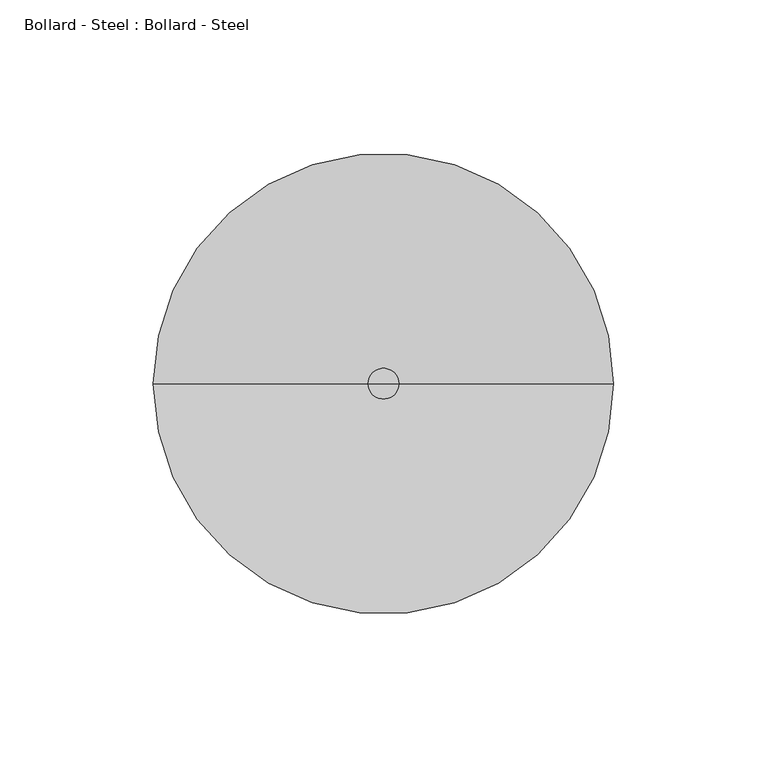
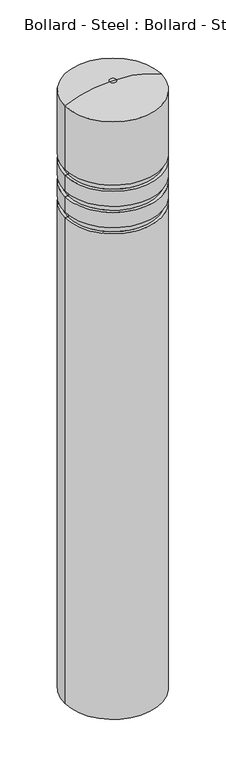
"""IFC4 building model written with IfcOpenShell, lengths in millimetres: geographic element geometry, Bollard - Steel : Bollard - Steel."""

from ifc_helpers import new_model, si_unit, point, frame, origin, place, context, project, spatial, circle_curve, ellipse_curve, trimmed, source, transform, mapped, element, save
from ifc_brep_helpers import plane_surface, cylinder_surface, revolved_surface, advanced_brep


def bollard_steel_bollard_steel_f95ce4ed(model_context):
    return source(origin(), model_context, "Body", "AdvancedBrep", [
        advanced_brep(
        [(70.4544105, -4.2111108, 0.0), (-79.5455895, -4.2111108, 0.0), (-79.5455895, -4.2111108, 800.0), (70.4544105, -4.2111108, 800.0), (-4.5455895, -4.2111108, 0.0), (0.4544105, -4.2111108, 1000.0), (-9.5455895, -4.2111108, 1000.0), (-4.5455895, -4.2111108, 1000.0), (70.4544105, -4.2111108, 984.6496028), (-79.5455895, -4.2111108, 984.6496028), (70.4544105, -4.2111108, 880.0), (-79.5455895, -4.2111108, 880.0), (65.4544105, -4.2111108, 880.0), (-74.5455895, -4.2111108, 880.0), (65.4544105, -4.2111108, 870.0), (-74.5455895, -4.2111108, 870.0), (70.4544105, -4.2111108, 870.0), (-79.5455895, -4.2111108, 870.0), (70.4544105, -4.2111108, 845.0), (-79.5455895, -4.2111108, 845.0), (65.4544105, -4.2111108, 845.0), (-74.5455895, -4.2111108, 845.0), (65.4544105, -4.2111108, 835.0), (-74.5455895, -4.2111108, 835.0), (70.4544105, -4.2111108, 835.0), (-79.5455895, -4.2111108, 835.0), (70.4544105, -4.2111108, 810.0), (-79.5455895, -4.2111108, 810.0), (65.4544105, -4.2111108, 810.0), (-74.5455895, -4.2111108, 810.0), (65.4544105, -4.2111108, 800.0), (-74.5455895, -4.2111108, 800.0)],
        [
            (0, 1, circle_curve(frame((-4.5455895, -4.2111108, 0.0), z_axis=(0.0, 0.0, 1.0), x_axis=(-1.0, 0.0, 0.0)), 75.0)),
            (1, 2),
            (2, 3, circle_curve(frame((-4.5455895, -4.2111108, 800.0), z_axis=(0.0, 0.0, -1.0), x_axis=(-1.0, 0.0, 0.0)), 75.0)),
            (3, 0),
            (1, 0, circle_curve(frame((-4.5455895, -4.2111108, 0.0), z_axis=(0.0, 0.0, 1.0), x_axis=(-1.0, 0.0, 0.0)), 75.0)),
            (3, 2, circle_curve(frame((-4.5455895, -4.2111108, 800.0), z_axis=(0.0, 0.0, -1.0), x_axis=(-1.0, 0.0, 0.0)), 75.0)),
            (4, 1),
            (0, 4),
            (5, 6, circle_curve(frame((-4.5455895, -4.2111108, 1000.0), z_axis=(0.0, 0.0, 1.0), x_axis=(-1.0, 0.0, 0.0)), 5.0)),
            (6, 7),
            (7, 5),
            (6, 5, circle_curve(frame((-4.5455895, -4.2111108, 1000.0), z_axis=(0.0, 0.0, 1.0), x_axis=(-1.0, 0.0, 0.0)), 5.0)),
            (8, 9, circle_curve(frame((-4.5455895, -4.2111108, 984.6496028), z_axis=(0.0, 0.0, 1.0), x_axis=(-1.0, 0.0, 0.0)), 75.0)),
            (9, 6, circle_curve(frame((-9.5455895, -4.2111108, 832.7198112), z_axis=(0.0, 1.0, 0.0), x_axis=(1.0, 0.0, 0.0)), 167.2801888)),
            (5, 8, circle_curve(frame((0.4544105, -4.2111108, 832.7198112), z_axis=(0.0, 1.0, 0.0), x_axis=(-1.0, 0.0, 0.0)), 167.2801888)),
            (9, 8, circle_curve(frame((-4.5455895, -4.2111108, 984.6496028), z_axis=(0.0, 0.0, 1.0), x_axis=(-1.0, 0.0, 0.0)), 75.0)),
            (10, 11, circle_curve(frame((-4.5455895, -4.2111108, 880.0), z_axis=(0.0, 0.0, 1.0), x_axis=(-1.0, 0.0, 0.0)), 75.0)),
            (11, 9),
            (8, 10),
            (11, 10, circle_curve(frame((-4.5455895, -4.2111108, 880.0), z_axis=(0.0, 0.0, 1.0), x_axis=(-1.0, 0.0, 0.0)), 75.0)),
            (12, 13, circle_curve(frame((-4.5455895, -4.2111108, 880.0), z_axis=(0.0, 0.0, 1.0), x_axis=(-1.0, 0.0, 0.0)), 70.0)),
            (13, 11),
            (10, 12),
            (13, 12, circle_curve(frame((-4.5455895, -4.2111108, 880.0), z_axis=(0.0, 0.0, 1.0), x_axis=(-1.0, 0.0, 0.0)), 70.0)),
            (14, 15, circle_curve(frame((-4.5455895, -4.2111108, 870.0), z_axis=(0.0, 0.0, 1.0), x_axis=(-1.0, 0.0, 0.0)), 70.0)),
            (15, 13),
            (12, 14),
            (15, 14, circle_curve(frame((-4.5455895, -4.2111108, 870.0), z_axis=(0.0, 0.0, 1.0), x_axis=(-1.0, 0.0, 0.0)), 70.0)),
            (16, 17, circle_curve(frame((-4.5455895, -4.2111108, 870.0), z_axis=(0.0, 0.0, 1.0), x_axis=(-1.0, 0.0, 0.0)), 75.0)),
            (17, 15),
            (14, 16),
            (17, 16, circle_curve(frame((-4.5455895, -4.2111108, 870.0), z_axis=(0.0, 0.0, 1.0), x_axis=(-1.0, 0.0, 0.0)), 75.0)),
            (18, 19, circle_curve(frame((-4.5455895, -4.2111108, 845.0), z_axis=(0.0, 0.0, 1.0), x_axis=(-1.0, 0.0, 0.0)), 75.0)),
            (19, 17),
            (16, 18),
            (19, 18, circle_curve(frame((-4.5455895, -4.2111108, 845.0), z_axis=(0.0, 0.0, 1.0), x_axis=(-1.0, 0.0, 0.0)), 75.0)),
            (20, 21, circle_curve(frame((-4.5455895, -4.2111108, 845.0), z_axis=(0.0, 0.0, 1.0), x_axis=(-1.0, 0.0, 0.0)), 70.0)),
            (21, 19),
            (18, 20),
            (21, 20, circle_curve(frame((-4.5455895, -4.2111108, 845.0), z_axis=(0.0, 0.0, 1.0), x_axis=(-1.0, 0.0, 0.0)), 70.0)),
            (22, 23, circle_curve(frame((-4.5455895, -4.2111108, 835.0), z_axis=(0.0, 0.0, 1.0), x_axis=(-1.0, 0.0, 0.0)), 70.0)),
            (23, 21),
            (20, 22),
            (23, 22, circle_curve(frame((-4.5455895, -4.2111108, 835.0), z_axis=(0.0, 0.0, 1.0), x_axis=(-1.0, 0.0, 0.0)), 70.0)),
            (24, 25, circle_curve(frame((-4.5455895, -4.2111108, 835.0), z_axis=(0.0, 0.0, 1.0), x_axis=(-1.0, 0.0, 0.0)), 75.0)),
            (25, 23),
            (22, 24),
            (25, 24, circle_curve(frame((-4.5455895, -4.2111108, 835.0), z_axis=(0.0, 0.0, 1.0), x_axis=(-1.0, 0.0, 0.0)), 75.0)),
            (26, 27, circle_curve(frame((-4.5455895, -4.2111108, 810.0), z_axis=(0.0, 0.0, 1.0), x_axis=(-1.0, 0.0, 0.0)), 75.0)),
            (27, 25),
            (24, 26),
            (27, 26, circle_curve(frame((-4.5455895, -4.2111108, 810.0), z_axis=(0.0, 0.0, 1.0), x_axis=(-1.0, 0.0, 0.0)), 75.0)),
            (28, 29, circle_curve(frame((-4.5455895, -4.2111108, 810.0), z_axis=(0.0, 0.0, 1.0), x_axis=(-1.0, 0.0, 0.0)), 70.0)),
            (29, 27),
            (26, 28),
            (29, 28, circle_curve(frame((-4.5455895, -4.2111108, 810.0), z_axis=(0.0, 0.0, 1.0), x_axis=(-1.0, 0.0, 0.0)), 70.0)),
            (30, 31, circle_curve(frame((-4.5455895, -4.2111108, 800.0), z_axis=(0.0, 0.0, 1.0), x_axis=(-1.0, 0.0, 0.0)), 70.0)),
            (31, 29),
            (28, 30),
            (31, 30, circle_curve(frame((-4.5455895, -4.2111108, 800.0), z_axis=(0.0, 0.0, 1.0), x_axis=(-1.0, 0.0, 0.0)), 70.0)),
            (2, 31),
            (30, 3),
        ],
        [
            cylinder_surface(frame((-4.5455895, -4.2111108, 1040.0), z_axis=(0.0, 0.0, -1.0), x_axis=(-1.0, 0.0, 0.0)), 75.0),
            plane_surface(frame((-4.5455895, -4.2111108, 0.0), z_axis=(0.0, 0.0, -1.0), x_axis=(-1.0, 0.0, 0.0))),
            plane_surface(frame((-4.5455895, -4.2111108, 1000.0), z_axis=(0.0, 0.0, 1.0), x_axis=(-1.0, 0.0, 0.0))),
            revolved_surface(trimmed(ellipse_curve(frame((-9.5455895, -4.2111108, 832.7198112), z_axis=(0.0, -1.0, 0.0), x_axis=(1.0, 0.0, 0.0)), 167.2801888, 167.2801888), [point((-9.5455895, -4.2111108, 1000.0))], [point((-79.5455895, -4.2111108, 984.6496028))], True, "CARTESIAN"), (-4.5455895, -4.2111108, 1040.0), (0.0, 0.0, -1.0)),
            plane_surface(frame((-4.5455895, -4.2111108, 880.0), z_axis=(0.0, 0.0, -1.0), x_axis=(-1.0, 0.0, 0.0))),
            cylinder_surface(frame((-4.5455895, -4.2111108, 1040.0), z_axis=(0.0, 0.0, -1.0), x_axis=(-1.0, 0.0, 0.0)), 70.0),
            plane_surface(frame((-4.5455895, -4.2111108, 870.0), z_axis=(0.0, 0.0, 1.0), x_axis=(-1.0, 0.0, 0.0))),
            plane_surface(frame((-4.5455895, -4.2111108, 845.0), z_axis=(0.0, 0.0, -1.0), x_axis=(-1.0, 0.0, 0.0))),
            plane_surface(frame((-4.5455895, -4.2111108, 835.0), z_axis=(0.0, 0.0, 1.0), x_axis=(-1.0, 0.0, 0.0))),
            plane_surface(frame((-4.5455895, -4.2111108, 810.0), z_axis=(0.0, 0.0, -1.0), x_axis=(-1.0, 0.0, 0.0))),
            plane_surface(frame((-4.5455895, -4.2111108, 800.0), z_axis=(0.0, 0.0, 1.0), x_axis=(-1.0, 0.0, 0.0))),
        ],
        [
            (0, [[1, 2, 3, 4]]),
            (0, [[5, -4, 6, -2]]),
            (1, [[7, -1, 8]]),
            (1, [[-8, -5, -7]]),
            (2, [[9, 10, 11]]),
            (2, [[12, -11, -10]]),
            (3, [[13, 14, -9, 15]]),
            (3, [[16, -15, -12, -14]]),
            (0, [[17, 18, -13, 19]]),
            (0, [[20, -19, -16, -18]]),
            (4, [[21, 22, -17, 23]]),
            (4, [[24, -23, -20, -22]]),
            (5, [[25, 26, -21, 27]]),
            (5, [[28, -27, -24, -26]]),
            (6, [[29, 30, -25, 31]]),
            (6, [[32, -31, -28, -30]]),
            (0, [[33, 34, -29, 35]]),
            (0, [[36, -35, -32, -34]]),
            (7, [[37, 38, -33, 39]]),
            (7, [[40, -39, -36, -38]]),
            (5, [[41, 42, -37, 43]]),
            (5, [[44, -43, -40, -42]]),
            (8, [[45, 46, -41, 47]]),
            (8, [[48, -47, -44, -46]]),
            (0, [[49, 50, -45, 51]]),
            (0, [[52, -51, -48, -50]]),
            (9, [[53, 54, -49, 55]]),
            (9, [[56, -55, -52, -54]]),
            (5, [[57, 58, -53, 59]]),
            (5, [[60, -59, -56, -58]]),
            (10, [[-3, 61, -57, 62]]),
            (10, [[-6, -62, -60, -61]]),
        ],
    ),
    ])


if __name__ == "__main__":
    model = new_model("IFC4")
    model_context = context("Model", 3, world=origin())
    ifc_project = project(units=[si_unit("LENGTHUNIT", "METRE", prefix="MILLI")], contexts=[model_context])
    site = spatial("IfcSite", under=ifc_project)
    building = spatial("IfcBuilding", under=site)
    placement = place(None, origin())
    bollard_steel_bollard_steel_shape = bollard_steel_bollard_steel_f95ce4ed(model_context)
    element("IfcGeographicElement", 1, ObjectType="Bollard - Steel : Bollard - Steel", at=placement, inside=building, context=model_context, shape_type="MappedRepresentation", body=[
        mapped(bollard_steel_bollard_steel_shape, transform((0.0, 0.0, 0.0), x_axis=(1.0, 0.0, 0.0), y_axis=(0.0, 1.0, 0.0), z_axis=(0.0, 0.0, 1.0))),
    ])
    save(model, "model.ifc")
